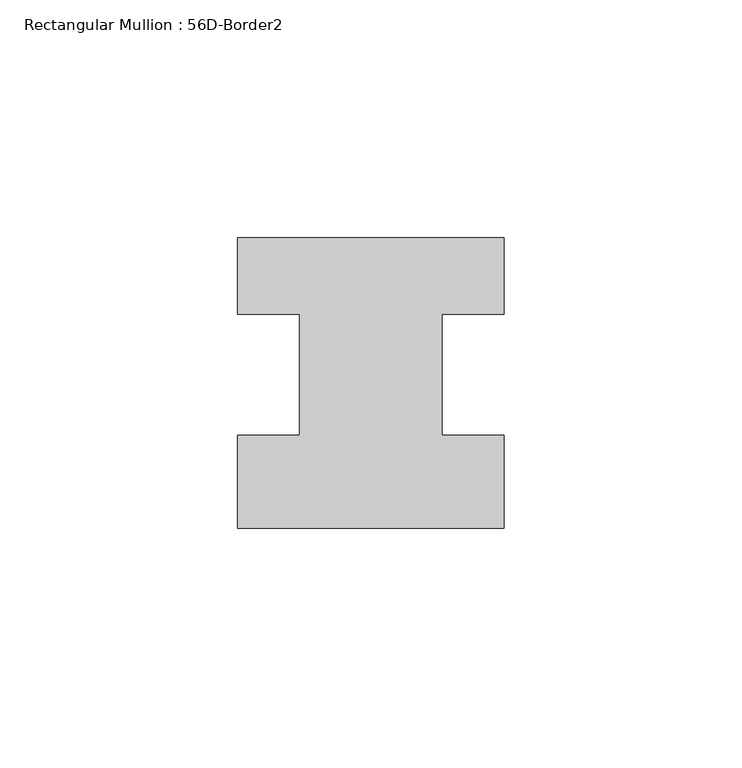
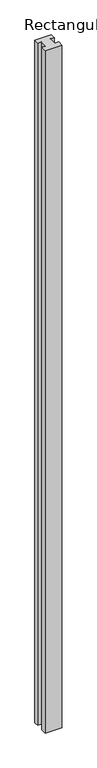
"""IFC4 building model written with IfcOpenShell, lengths in millimetres: member geometry, Rectangular Mullion : 56D-Border2."""

from ifc_helpers import new_model, si_unit, frame, origin, place, context, project, spatial, polyline, outline, extrude, source, transform, mapped, element, save


def rectangular_mullion_56d_border2_dd06b448(model_context):
    return source(origin(), model_context, "Body", "SweptSolid", [
        extrude(outline(polyline([(0.0, -20.0), (-56.0, -20.0), (-56.0, -0.5), (-43.0, -0.5), (-43.0, 25.0), (-56.0, 25.0), (-56.0, 41.0), (0.0, 41.0), (0.0, 25.0), (-13.0, 25.0), (-13.0, -0.5), (0.0, -0.5), (0.0, -20.0)])), frame((0.0, 0.0, -2444.0), z_axis=(0.0, 0.0, 1.0), x_axis=(1.0, 0.0, 0.0)), (0.0, 0.0, 1.0), 2444.0),
    ])


if __name__ == "__main__":
    model = new_model("IFC4")
    model_context = context("Model", 3, world=origin())
    ifc_project = project(units=[si_unit("LENGTHUNIT", "METRE", prefix="MILLI")], contexts=[model_context])
    site = spatial("IfcSite", under=ifc_project)
    building = spatial("IfcBuilding", under=site)
    placement = place(None, origin())
    rectangular_mullion_56d_border2_shape = rectangular_mullion_56d_border2_dd06b448(model_context)
    element("IfcMember", 1, ObjectType="Rectangular Mullion : 56D-Border2", at=placement, inside=building, context=model_context, shape_type="MappedRepresentation", body=[
        mapped(rectangular_mullion_56d_border2_shape, transform((0.0, 0.0, 0.0), x_axis=(1.0, 0.0, 0.0), y_axis=(0.0, 1.0, 0.0), z_axis=(0.0, 0.0, 1.0))),
    ])
    save(model, "model.ifc")
